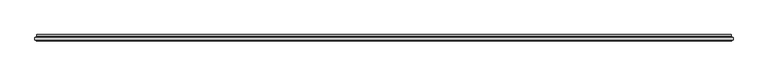
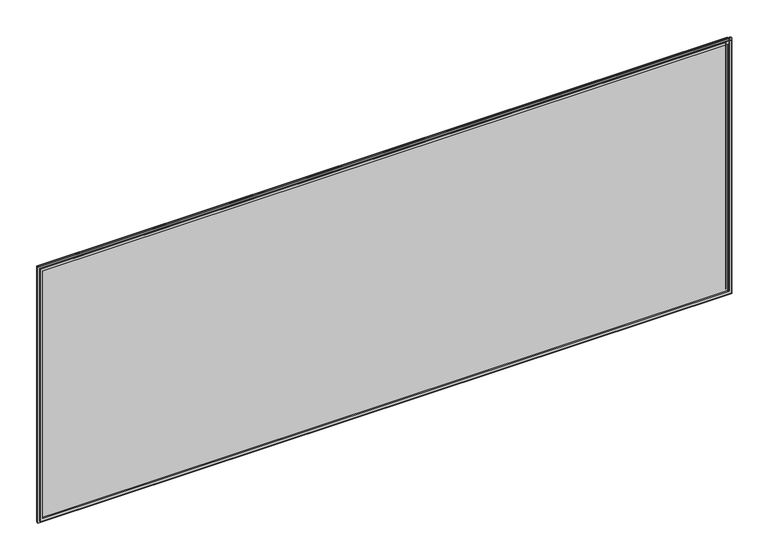
"""IFC4 building model written with IfcOpenShell, lengths in millimetres: plate geometry."""

from ifc_helpers import new_model, si_unit, frame, origin, place, context, project, spatial, polyline, ellipse_curve, outline, extrude, source, transform, mapped, element, save
from ifc_brep_helpers import plane_surface, cylinder_surface, revolved_surface, advanced_brep


def plate_087ea288(model_context):
    return source(origin(), model_context, "Body", "SolidModel", [
        advanced_brep(
        [(-1212.5000001, 4.8968153, 19.5), (1212.5000001, 4.8968153, 19.5), (1212.5000001, 11.0, 19.5), (-1212.5000001, 11.0, 19.5), (1212.5000001, 4.8968153, 944.5000002), (1212.5000001, 11.0, 944.5000002), (-1212.5000001, 4.8968153, 944.5000002), (-1212.5000001, 11.0, 944.5000002), (-1222.6737948, 1.0, 9.3262053), (1222.6737948, 1.0, 9.3262053), (1222.6737948, 1.0, 954.6737949), (-1222.6737948, 1.0, 954.6737949), (1212.2225564, 1.0, 19.7774437), (-1212.2225564, 1.0, 19.7774437), (-1212.2225564, 1.0, 944.2225565), (1212.2225564, 1.0, 944.2225565), (1221.5000001, 11.0, 10.5), (-1221.5000001, 11.0, 10.5), (-1221.5000001, 11.0, 953.5000002), (1221.5000001, 11.0, 953.5000002), (1221.5000001, 5.9174454, 10.5), (-1221.5000001, 5.9174454, 10.5), (1221.5000001, 5.9174454, 953.5000002), (-1221.5000001, 5.9174454, 953.5000002), (-1211.5765978, 3.2113072, 20.4234023), (1211.5765978, 3.2113072, 20.4234023), (-1223.0737753, 3.96339, 8.9262248), (1223.0737753, 3.96339, 8.9262248), (1211.5765978, 3.2113072, 943.5765979), (1223.0737753, 3.96339, 955.0737754), (-1211.5765978, 3.2113072, 943.5765979), (-1223.0737753, 3.96339, 955.0737754)],
        [
            (0, 1),
            (1, 2),
            (2, 3),
            (3, 0),
            (1, 4),
            (4, 5),
            (5, 2),
            (4, 6),
            (6, 7),
            (7, 5),
            (8, 9),
            (9, 10),
            (10, 11),
            (11, 8),
            (12, 13),
            (13, 14),
            (14, 15),
            (15, 12),
            (16, 17),
            (17, 18),
            (18, 19),
            (19, 16),
            (7, 3),
            (6, 0),
            (16, 20),
            (20, 21),
            (21, 17),
            (19, 22),
            (22, 20),
            (18, 23),
            (23, 22),
            (21, 23),
            (24, 25),
            (25, 1, ellipse_curve(frame((1210.5000001, 4.8968153, 21.5), z_axis=(0.7071067811865475, 0.0, 0.7071067811865475), x_axis=(0.7071067811865476, 0.0, -0.7071067811865474)), 2.8284271, 2.0)),
            (0, 24, ellipse_curve(frame((-1210.5000001, 4.8968153, 21.5), z_axis=(-0.7071067811865475, 0.0, 0.7071067811865475), x_axis=(0.7071067811865476, 0.0, 0.7071067811865474)), 2.8284271, 2.0)),
            (12, 25, ellipse_curve(frame((1212.2225564, 2.2000024, 19.7774437), z_axis=(-0.7071067811865475, 0.0, -0.7071067811865475), x_axis=(-0.7071067811865476, 0.0, 0.7071067811865474)), 1.6970563, 1.2)),
            (24, 13, ellipse_curve(frame((-1212.2225564, 2.2000024, 19.7774437), z_axis=(0.7071067811865475, 0.0, -0.7071067811865475), x_axis=(-0.7071067811865476, 0.0, -0.7071067811865474)), 1.6970563, 1.2)),
            (26, 27),
            (27, 9, ellipse_curve(frame((1222.7541068, 2.4978485, 9.2458934), z_axis=(-0.7071067811865475, 0.0, -0.7071067811865475), x_axis=(-0.7071067811865476, 0.0, 0.7071067811865474)), 2.1213203, 1.5)),
            (8, 26, ellipse_curve(frame((-1222.7541068, 2.4978485, 9.2458934), z_axis=(0.7071067811865475, 0.0, -0.7071067811865475), x_axis=(-0.7071067811865476, 0.0, -0.7071067811865474)), 2.1213203, 1.5)),
            (20, 27, ellipse_curve(frame((1223.5000001, 5.9174454, 8.5), z_axis=(0.7071067811865475, 0.0, 0.7071067811865475), x_axis=(0.7071067811865476, 0.0, -0.7071067811865474)), 2.8284271, 2.0)),
            (26, 21, ellipse_curve(frame((-1223.5000001, 5.9174454, 8.5), z_axis=(-0.7071067811865475, 0.0, 0.7071067811865475), x_axis=(0.7071067811865476, 0.0, 0.7071067811865474)), 2.8284271, 2.0)),
            (25, 28),
            (28, 4, ellipse_curve(frame((1210.5000001, 4.8968153, 942.5000002), z_axis=(-0.7071067811865475, 0.0, 0.7071067811865475), x_axis=(0.7071067811865474, 0.0, 0.7071067811865476)), 2.8284271, 2.0)),
            (15, 28, ellipse_curve(frame((1212.2225564, 2.2000024, 944.2225565), z_axis=(0.7071067811865475, 0.0, -0.7071067811865475), x_axis=(-0.7071067811865474, 0.0, -0.7071067811865476)), 1.6970563, 1.2)),
            (27, 29),
            (29, 10, ellipse_curve(frame((1222.7541068, 2.4978485, 954.7541069), z_axis=(0.7071067811865475, 0.0, -0.7071067811865475), x_axis=(-0.7071067811865474, 0.0, -0.7071067811865476)), 2.1213203, 1.5)),
            (22, 29, ellipse_curve(frame((1223.5000001, 5.9174454, 955.5000002), z_axis=(-0.7071067811865475, 0.0, 0.7071067811865475), x_axis=(0.7071067811865474, 0.0, 0.7071067811865476)), 2.8284271, 2.0)),
            (28, 30),
            (30, 6, ellipse_curve(frame((-1210.5000001, 4.8968153, 942.5000002), z_axis=(-0.7071067811865475, 0.0, -0.7071067811865475), x_axis=(-0.7071067811865476, 0.0, 0.7071067811865474)), 2.8284271, 2.0)),
            (14, 30, ellipse_curve(frame((-1212.2225564, 2.2000024, 944.2225565), z_axis=(0.7071067811865475, 0.0, 0.7071067811865475), x_axis=(0.7071067811865476, 0.0, -0.7071067811865474)), 1.6970563, 1.2)),
            (29, 31),
            (31, 11, ellipse_curve(frame((-1222.7541068, 2.4978485, 954.7541069), z_axis=(0.7071067811865475, 0.0, 0.7071067811865475), x_axis=(0.7071067811865476, 0.0, -0.7071067811865474)), 2.1213203, 1.5)),
            (23, 31, ellipse_curve(frame((-1223.5000001, 5.9174454, 955.5000002), z_axis=(-0.7071067811865475, 0.0, -0.7071067811865475), x_axis=(-0.7071067811865476, 0.0, 0.7071067811865474)), 2.8284271, 2.0)),
            (30, 24),
            (31, 26),
        ],
        [
            plane_surface(frame((-1212.5000001, 11.0, 19.5), z_axis=(0.0, 0.0, 1.0), x_axis=(1.0, 0.0, 0.0))),
            plane_surface(frame((1212.5000001, 11.0, 19.5), z_axis=(-1.0, 0.0, 0.0), x_axis=(0.0, 0.0, 1.0))),
            plane_surface(frame((1212.5000001, 11.0, 944.5000002), z_axis=(0.0, 0.0, -1.0), x_axis=(-1.0, 0.0, 0.0))),
            plane_surface(frame((-1212.2225564, 1.0, 944.2225565), z_axis=(0.0, -1.0, 0.0), x_axis=(0.0, 0.0, -1.0))),
            plane_surface(frame((-1221.5000001, 11.0, 953.5000002), z_axis=(0.0, 1.0, 0.0), x_axis=(0.0, 0.0, -1.0))),
            plane_surface(frame((-1212.5000001, 11.0, 944.5000002), z_axis=(1.0, 0.0, 0.0), x_axis=(0.0, 0.0, -1.0))),
            plane_surface(frame((-1221.5000001, 5.9174454, 10.5), z_axis=(0.0, 0.0, -1.0), x_axis=(1.0, 0.0, 0.0))),
            plane_surface(frame((1221.5000001, 5.9174454, 10.5), z_axis=(1.0, 0.0, 0.0), x_axis=(0.0, 0.0, 1.0))),
            plane_surface(frame((1221.5000001, 5.9174454, 953.5000002), z_axis=(0.0, 0.0, 1.0), x_axis=(-1.0, 0.0, 0.0))),
            plane_surface(frame((-1221.5000001, 5.9174454, 953.5000002), z_axis=(-1.0, 0.0, 0.0), x_axis=(0.0, 0.0, -1.0))),
            revolved_surface(polyline([(1212.5000001, 2.8968153, 21.5), (-1212.5000001, 2.8968153, 21.5)]), (-1232.0000001, 4.8968153, 21.5), (1.0, 0.0, 0.0)),
            cylinder_surface(frame((-1232.0000001, 2.2000024, 19.7774437), z_axis=(-1.0, 0.0, 0.0), x_axis=(0.0, -1.0, 0.0)), 1.2),
            cylinder_surface(frame((-1232.0000001, 2.4978485, 9.2458934), z_axis=(-1.0, 0.0, 0.0), x_axis=(0.0, -1.0, 0.0)), 1.5),
            revolved_surface(polyline([(1225.5000000825019, 3.9174454, 8.5), (-1225.5000000825019, 3.9174454, 8.5)]), (-1232.0000001, 5.9174454, 8.5), (1.0, 0.0, 0.0)),
            revolved_surface(polyline([(1210.5000001, 2.8968153, 944.5000002), (1210.5000001, 2.8968153, 19.5)]), (1210.5000001, 4.8968153, 0.0), (0.0, 0.0, 1.0)),
            cylinder_surface(frame((1212.2225564, 2.2000024, 0.0), z_axis=(0.0, 0.0, -1.0), x_axis=(0.0, -1.0, 0.0)), 1.2),
            cylinder_surface(frame((1222.7541068, 2.4978485, 0.0), z_axis=(0.0, 0.0, -1.0), x_axis=(0.0, -1.0, 0.0)), 1.5),
            revolved_surface(polyline([(1223.5000001, 3.9174454, 957.5000001825018), (1223.5000001, 3.9174454, 6.500000017498199)]), (1223.5000001, 5.9174454, 0.0), (0.0, 0.0, 1.0)),
            revolved_surface(polyline([(-1212.5000001, 2.8968153, 942.5000002), (1212.5000001, 2.8968153, 942.5000002)]), (1232.0000001, 4.8968153, 942.5000002), (-1.0, 0.0, 0.0)),
            cylinder_surface(frame((1232.0000001, 2.2000024, 944.2225565), z_axis=(1.0, 0.0, 0.0), x_axis=(0.0, -1.0, 0.0)), 1.2),
            cylinder_surface(frame((1232.0000001, 2.4978485, 954.7541069), z_axis=(1.0, 0.0, 0.0), x_axis=(0.0, -1.0, 0.0)), 1.5),
            revolved_surface(polyline([(-1225.5000000825019, 3.9174454, 955.5000002), (1225.5000000825019, 3.9174454, 955.5000002)]), (1232.0000001, 5.9174454, 955.5000002), (-1.0, 0.0, 0.0)),
            revolved_surface(polyline([(-1210.5000001, 2.8968153, 19.5), (-1210.5000001, 2.8968153, 944.5000002)]), (-1210.5000001, 4.8968153, 964.0000002), (0.0, 0.0, -1.0)),
            cylinder_surface(frame((-1212.2225564, 2.2000024, 964.0000002), z_axis=(0.0, 0.0, 1.0), x_axis=(0.0, -1.0, 0.0)), 1.2),
            cylinder_surface(frame((-1222.7541068, 2.4978485, 964.0000002), z_axis=(0.0, 0.0, 1.0), x_axis=(0.0, -1.0, 0.0)), 1.5),
            revolved_surface(polyline([(-1223.5000001, 3.9174454, 6.500000017498223), (-1223.5000001, 3.9174454, 957.5000001825018)]), (-1223.5000001, 5.9174454, 964.0000002), (0.0, 0.0, -1.0)),
        ],
        [
            (0, [[1, 2, 3, 4]]),
            (1, [[5, 6, 7, -2]]),
            (2, [[8, 9, 10, -6]]),
            (3, [[11, 12, 13, 14], [15, 16, 17, 18]]),
            (4, [[19, 20, 21, 22], [-3, -7, -10, 23]]),
            (5, [[24, -4, -23, -9]]),
            (6, [[-19, 25, 26, 27]]),
            (7, [[-22, 28, 29, -25]]),
            (8, [[-21, 30, 31, -28]]),
            (9, [[-20, -27, 32, -30]]),
            (10, [[33, 34, -1, 35]]),
            (11, [[-15, 36, -33, 37]]),
            (12, [[38, 39, -11, 40]]),
            (13, [[-26, 41, -38, 42]]),
            (14, [[43, 44, -5, -34]]),
            (15, [[-18, 45, -43, -36]]),
            (16, [[46, 47, -12, -39]]),
            (17, [[-29, 48, -46, -41]]),
            (18, [[49, 50, -8, -44]]),
            (19, [[-17, 51, -49, -45]]),
            (20, [[52, 53, -13, -47]]),
            (21, [[-31, 54, -52, -48]]),
            (22, [[55, -35, -24, -50]]),
            (23, [[-16, -37, -55, -51]]),
            (24, [[56, -40, -14, -53]]),
            (25, [[-32, -42, -56, -54]]),
        ],
    ),
        extrude(outline(polyline([(9.5, -1222.5000001), (9.5, 1222.5000001), (954.5000002, 1222.5000001), (954.5000002, -1222.5000001), (9.5, -1222.5000001)]), holes=[polyline([(19.5, 1212.5000001), (19.5, -1212.5000001), (944.5000002, -1212.5000001), (944.5000002, 1212.5000001), (19.5, 1212.5000001)])]), frame((0.0, -11.0, 0.0), z_axis=(0.0, 1.0, 0.0), x_axis=(0.0, 0.0, 1.0)), (0.0, 0.0, 1.0), 4.0),
        extrude(outline(polyline([(-1228.0000001, -7.0), (-1228.0000001, 1.0), (1228.0000001, 1.0), (1228.0000001, -7.0), (-1228.0000001, -7.0)])), frame((0.0, 0.0, 4.0), z_axis=(0.0, 0.0, 1.0), x_axis=(1.0, 0.0, 0.0)), (0.0, 0.0, 1.0), 956.0000002),
    ])


if __name__ == "__main__":
    model = new_model("IFC4")
    model_context = context("Model", 3, world=origin())
    ifc_project = project(units=[si_unit("LENGTHUNIT", "METRE", prefix="MILLI")], contexts=[model_context])
    site = spatial("IfcSite", under=ifc_project)
    building = spatial("IfcBuilding", under=site)
    placement = place(None, origin())
    plate_shape = plate_087ea288(model_context)
    element("IfcPlate", 1, at=placement, inside=building, context=model_context, shape_type="MappedRepresentation", body=[
        mapped(plate_shape, transform((0.0, 0.0, 0.0), x_axis=(1.0, 0.0, 0.0), y_axis=(0.0, 1.0, 0.0), z_axis=(0.0, 0.0, 1.0))),
    ])
    save(model, "model.ifc")
